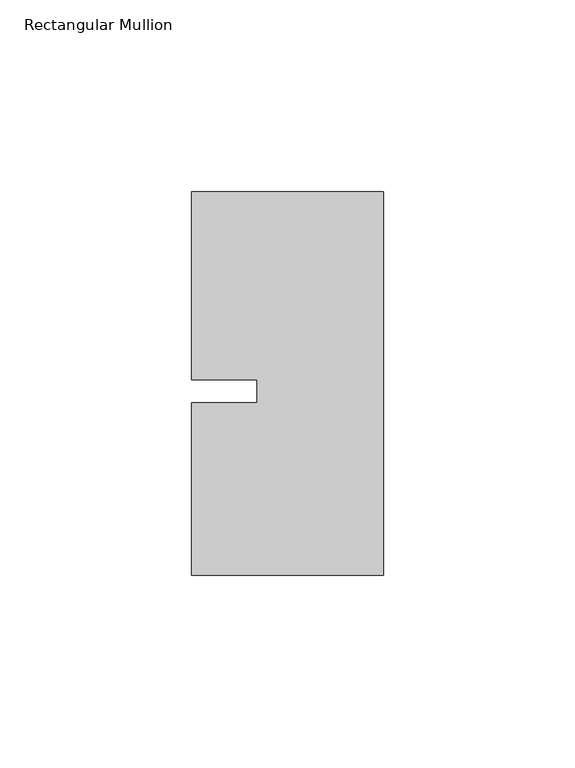
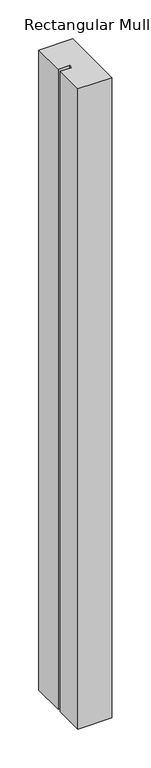
"""IFC4 building model written with IfcOpenShell, lengths in millimetres: member geometry, Rectangular Mullion."""

from ifc_helpers import new_model, si_unit, frame, origin, place, context, project, spatial, polyline, outline, extrude, source, transform, mapped, element, save


def rectangular_mullion_2c5843c4(model_context):
    return source(origin(), model_context, "Body", "SweptSolid", [
        extrude(outline(polyline([(-33.0004407, -3.0000086), (-33.0004379, 3.0000086), (-49.9999762, 3.0000166), (-49.9999534, 51.9999993), (0.0, 51.9999711), (0.0, -48.000024), (-50.0, -48.0000007), (-49.999979, -3.0000007), (-33.0004407, -3.0000086)])), frame((0.0, 0.0, -1001.9293535), z_axis=(0.0, 0.0, 1.0), x_axis=(1.0, 0.0, 0.0)), (0.0, 0.0, 1.0), 1001.9293535),
    ])


if __name__ == "__main__":
    model = new_model("IFC4")
    model_context = context("Model", 3, world=origin())
    ifc_project = project(units=[si_unit("LENGTHUNIT", "METRE", prefix="MILLI")], contexts=[model_context])
    site = spatial("IfcSite", under=ifc_project)
    building = spatial("IfcBuilding", under=site)
    placement = place(None, origin())
    rectangular_mullion_shape = rectangular_mullion_2c5843c4(model_context)
    element("IfcMember", 1, ObjectType="Rectangular Mullion", at=placement, inside=building, context=model_context, shape_type="MappedRepresentation", body=[
        mapped(rectangular_mullion_shape, transform((0.0, 0.0, 0.0), x_axis=(1.0, 0.0, 0.0), y_axis=(0.0, 1.0, 0.0), z_axis=(0.0, 0.0, 1.0))),
    ])
    save(model, "model.ifc")
